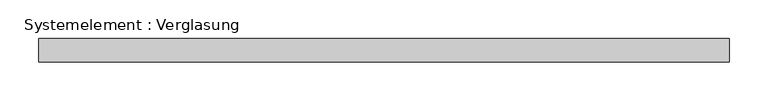
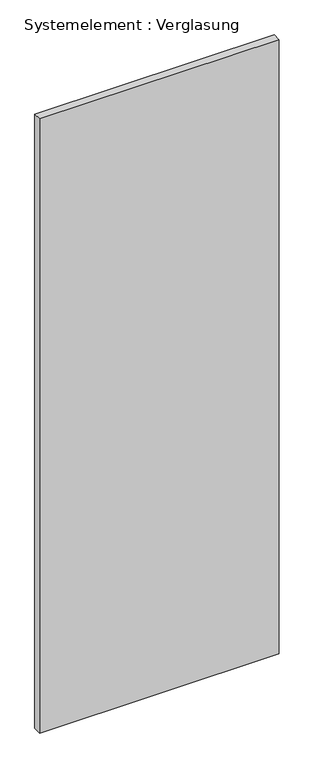
"""IFC4 building model written with IfcOpenShell, lengths in millimetres: plate geometry, Systemelement : Verglasung."""

import ifcopenshell
import ifcopenshell.guid

model = None  # the IFC model being written
_history = None  # IfcOwnerHistory: only IFC2X3 demands one
_inside = {}  # id of a spatial element -> (the spatial element, [elements in it])
_under = {}  # id of a project, library or spatial element -> (it, [spatial elements below it])
_declared = {}  # id of a project -> (the project, [libraries it declares])
_typed = {}  # id of a type object -> (the type object, [elements of that type])
_made_of = {}  # id of a material, layer set ... -> (it, [elements and type objects made of it])


def new_model(schema):
    """Start an empty IFC model of exactly this schema.

    Asked for "IFC4X3", IfcOpenShell would pick the latest addendum, in which some entities
    have other attributes; the version numbers below select the first issue.
    IFC2X3 requires an IfcOwnerHistory on every rooted entity: one is made here for all.
    """
    global model, _history
    if schema == "IFC4X3":
        model = ifcopenshell.file(schema_version=(4, 3, 0, 0))
    else:
        model = ifcopenshell.file(schema=schema)
    _inside.clear()
    _under.clear()
    _declared.clear()
    _typed.clear()
    _made_of.clear()
    _history = None
    if model.schema == "IFC2X3":
        org = make("IfcOrganization", Name="unknown")
        user = make(
            "IfcPersonAndOrganization",
            ThePerson=make("IfcPerson", FamilyName="unknown"),
            TheOrganization=org,
        )
        app = make(
            "IfcApplication",
            ApplicationDeveloper=org,
            Version="unknown",
            ApplicationFullName="unknown",
            ApplicationIdentifier="unknown",
        )
        _history = make(
            "IfcOwnerHistory",
            OwningUser=user,
            OwningApplication=app,
            ChangeAction="ADDED",
            CreationDate=0,
        )
    return model


def make(cls, **values):
    """One entity of the class cls with the attributes given. An attribute that is None is left unset."""
    return model.create_entity(
        cls, **{name: value for name, value in values.items() if value is not None}
    )


def rooted(cls, **values):
    """An entity with a GlobalId (a new one), such as an element, a storey or a relation."""
    return make(cls, GlobalId=ifcopenshell.guid.new(), OwnerHistory=_history, **values)


def si_unit(unit_type, name, prefix=None):
    """IfcSIUnit, for example si_unit("LENGTHUNIT", "METRE", prefix="MILLI")."""
    return make("IfcSIUnit", UnitType=unit_type, Prefix=prefix, Name=name)


def assignment(units):
    """IfcUnitAssignment: the units of a project."""
    return None if units is None else make("IfcUnitAssignment", Units=units)


def point(xyz):
    """IfcCartesianPoint."""
    return None if xyz is None else make("IfcCartesianPoint", Coordinates=xyz)


def direction(xyz):
    """IfcDirection."""
    return None if xyz is None else make("IfcDirection", DirectionRatios=xyz)


def frame(location, z_axis=None, x_axis=None):
    """IfcAxis2Placement3D, a coordinate frame: its origin and axes. An axis left out is left unset."""
    return make(
        "IfcAxis2Placement3D",
        Location=point(location),
        Axis=direction(z_axis),
        RefDirection=direction(x_axis),
    )


def origin():
    """The frame at (0, 0, 0) with its axes left unset."""
    return frame((0.0, 0.0, 0.0))


def origin_with_axes():
    """The frame at (0, 0, 0) with the z axis (0, 0, 1) and the x axis (1, 0, 0) written out."""
    return frame((0.0, 0.0, 0.0), z_axis=(0.0, 0.0, 1.0), x_axis=(1.0, 0.0, 0.0))


def place(relative_to, where):
    """IfcLocalPlacement: puts the frame where relative to a parent placement (None: the world)."""
    return make(
        "IfcLocalPlacement", PlacementRelTo=relative_to, RelativePlacement=where
    )


def context(
    kind, dimensions, precision=None, world=None, true_north=None, identifier=None
):
    """IfcGeometricRepresentationContext, for example the 3D "Model" context."""
    return make(
        "IfcGeometricRepresentationContext",
        ContextIdentifier=identifier,
        ContextType=kind,
        CoordinateSpaceDimension=dimensions,
        Precision=precision,
        WorldCoordinateSystem=world,
        TrueNorth=true_north,
    )


def project(units=None, contexts=None):
    """IfcProject with its units and contexts."""
    return rooted(
        "IfcProject",
        Name="project",
        RepresentationContexts=contexts,
        UnitsInContext=assignment(units),
    )


def spatial(cls, under=None, at=None, **own):
    """A site, building, storey or space (cls), placed at a placement, below another one or the project."""
    s = rooted(cls, ObjectPlacement=at, **own)
    if under is not None:
        _under.setdefault(under.id(), (under, []))[1].append(s)
    return s


def polyline(points):
    """IfcPolyline through the points."""
    return make("IfcPolyline", Points=[point(p) for p in points])


def outline(outer, holes=None, kind="AREA"):
    """IfcArbitraryClosedProfileDef: a profile drawn as a closed curve; with holes, ...WithVoids."""
    if holes is None:
        return make("IfcArbitraryClosedProfileDef", ProfileType=kind, OuterCurve=outer)
    return make(
        "IfcArbitraryProfileDefWithVoids",
        ProfileType=kind,
        OuterCurve=outer,
        InnerCurves=holes,
    )


def extrude(swept, where, along, depth):
    """IfcExtrudedAreaSolid: the profile swept, set in the frame where, extruded along a direction by depth."""
    return make(
        "IfcExtrudedAreaSolid",
        SweptArea=swept,
        Position=where,
        ExtrudedDirection=direction(along),
        Depth=depth,
    )


def shape(context_of_items, identifier, shape_type, items):
    """IfcShapeRepresentation: the items that make up one representation, for example the "Body"."""
    return make(
        "IfcShapeRepresentation",
        ContextOfItems=context_of_items,
        RepresentationIdentifier=identifier,
        RepresentationType=shape_type,
        Items=items,
    )


def source(mapping_origin, context_of_items, identifier, shape_type, items):
    """IfcRepresentationMap: a shape defined once, which mapped items show again and again."""
    return make(
        "IfcRepresentationMap",
        MappingOrigin=mapping_origin,
        MappedRepresentation=shape(context_of_items, identifier, shape_type, items),
    )


def transform(
    local_origin,
    x_axis=None,
    y_axis=None,
    z_axis=None,
    scale=None,
    scale2=None,
    scale3=None,
    uniform=True,
):
    """IfcCartesianTransformationOperator3D, or its non-uniform kind. x_axis, y_axis, z_axis: its Axis1, 2, 3."""
    if uniform:
        return make(
            "IfcCartesianTransformationOperator3D",
            Axis1=direction(x_axis),
            Axis2=direction(y_axis),
            LocalOrigin=point(local_origin),
            Scale=scale,
            Axis3=direction(z_axis),
        )
    return make(
        "IfcCartesianTransformationOperator3DnonUniform",
        Axis1=direction(x_axis),
        Axis2=direction(y_axis),
        LocalOrigin=point(local_origin),
        Scale=scale,
        Axis3=direction(z_axis),
        Scale2=scale2,
        Scale3=scale3,
    )


def mapped(mapping_source, mapping_target):
    """IfcMappedItem: shows the shape of a source again, moved by a transform."""
    return make(
        "IfcMappedItem", MappingSource=mapping_source, MappingTarget=mapping_target
    )


def made_of(thing, what):
    """Note that an element or type object is made of a material, layer set ...; save() writes the relation."""
    if what is not None:
        _made_of.setdefault(what.id(), (what, []))[1].append(thing)
    return thing


def element(
    cls,
    number,
    at=None,
    inside=None,
    cuts=None,
    type_object=None,
    material=None,
    context=None,
    identifier="Body",
    shape_type=None,
    held_by="IfcProductDefinitionShape",
    body=None,
    shapes=None,
    **own,
):
    """One element of the class cls, such as IfcWall. Its Tag is "e" and its number.

    at: its placement. inside: the storey or other place that contains it. cuts: it is an
    opening in that element (IfcRelVoidsElement). A single representation is given by context,
    identifier, shape_type and body (its items); several are given by shapes. held_by: the class
    of the entity that holds the representations. save() writes the other relations.
    """
    e = rooted(cls, Tag="e%d" % number, ObjectPlacement=at, **own)
    if body is not None:
        shapes = [shape(context, identifier, shape_type, body)]
    if shapes is not None:
        e.Representation = make(held_by, Representations=shapes)
    if inside is not None:
        _inside.setdefault(inside.id(), (inside, []))[1].append(e)
    if cuts is not None:
        rooted(
            "IfcRelVoidsElement", RelatingBuildingElement=cuts, RelatedOpeningElement=e
        )
    if type_object is not None:
        _typed.setdefault(type_object.id(), (type_object, []))[1].append(e)
    return made_of(e, material)


def aggregate(whole, parts):
    """IfcRelAggregates: a whole, such as a stair, and the parts it consists of."""
    return rooted("IfcRelAggregates", RelatingObject=whole, RelatedObjects=parts)


def save(model, path):
    """Write the relations noted so far, then the file.

    IfcRelAggregates (storeys below a building ...), IfcRelContainedInSpatialStructure (elements
    in a storey), IfcRelDefinesByType, IfcRelAssociatesMaterial and IfcRelDeclares: one each for
    every whole, place, type object, material and project.
    """
    for whole, parts in _under.values():
        aggregate(whole, parts)
    for where, things in _inside.values():
        rooted(
            "IfcRelContainedInSpatialStructure",
            RelatedElements=things,
            RelatingStructure=where,
        )
    for kind, things in _typed.values():
        rooted("IfcRelDefinesByType", RelatedObjects=things, RelatingType=kind)
    for what, things in _made_of.values():
        rooted("IfcRelAssociatesMaterial", RelatedObjects=things, RelatingMaterial=what)
    for by, libraries in _declared.values():
        rooted("IfcRelDeclares", RelatingContext=by, RelatedDefinitions=libraries)
    model.write(path)


def systemelement_verglasung_871e8fb3(model_context):
    return source(origin(), model_context, "Body", "SweptSolid", [
        extrude(outline(polyline([(445.210188, -15.0), (-445.210188, -15.0), (-445.210188, 15.0), (445.210188, 15.0), (445.210188, -15.0)])), origin_with_axes(), (0.0, 0.0, 1.0), 2410.0),
    ])


if __name__ == "__main__":
    model = new_model("IFC4")
    model_context = context("Model", 3, world=origin())
    ifc_project = project(units=[si_unit("LENGTHUNIT", "METRE", prefix="MILLI")], contexts=[model_context])
    site = spatial("IfcSite", under=ifc_project)
    building = spatial("IfcBuilding", under=site)
    placement = place(None, origin())
    systemelement_verglasung_shape = systemelement_verglasung_871e8fb3(model_context)
    element("IfcPlate", 1, ObjectType="Systemelement : Verglasung", at=placement, inside=building, context=model_context, shape_type="MappedRepresentation", body=[
        mapped(systemelement_verglasung_shape, transform((0.0, 0.0, 0.0), x_axis=(1.0, 0.0, 0.0), y_axis=(0.0, 1.0, 0.0), z_axis=(0.0, 0.0, 1.0))),
    ])
    save(model, "model.ifc")
